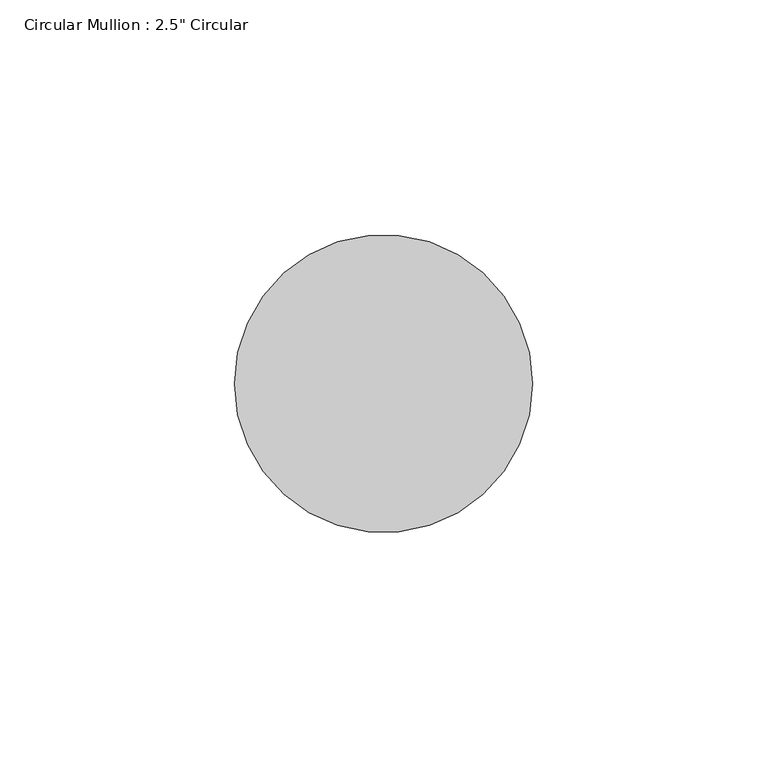
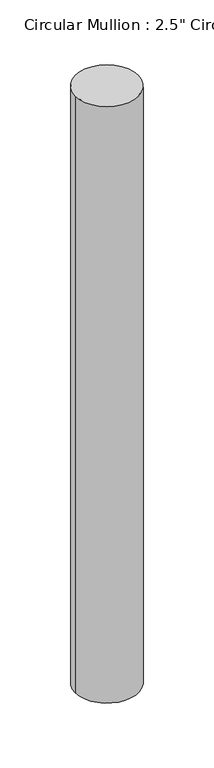
"""IFC4 building model written with IfcOpenShell, lengths in millimetres: member geometry."""

import ifcopenshell
import ifcopenshell.guid

model = None  # the IFC model being written
_history = None  # IfcOwnerHistory: only IFC2X3 demands one
_inside = {}  # id of a spatial element -> (the spatial element, [elements in it])
_under = {}  # id of a project, library or spatial element -> (it, [spatial elements below it])
_declared = {}  # id of a project -> (the project, [libraries it declares])
_typed = {}  # id of a type object -> (the type object, [elements of that type])
_made_of = {}  # id of a material, layer set ... -> (it, [elements and type objects made of it])


def new_model(schema):
    """Start an empty IFC model of exactly this schema.

    Asked for "IFC4X3", IfcOpenShell would pick the latest addendum, in which some entities
    have other attributes; the version numbers below select the first issue.
    IFC2X3 requires an IfcOwnerHistory on every rooted entity: one is made here for all.
    """
    global model, _history
    if schema == "IFC4X3":
        model = ifcopenshell.file(schema_version=(4, 3, 0, 0))
    else:
        model = ifcopenshell.file(schema=schema)
    _inside.clear()
    _under.clear()
    _declared.clear()
    _typed.clear()
    _made_of.clear()
    _history = None
    if model.schema == "IFC2X3":
        org = make("IfcOrganization", Name="unknown")
        user = make(
            "IfcPersonAndOrganization",
            ThePerson=make("IfcPerson", FamilyName="unknown"),
            TheOrganization=org,
        )
        app = make(
            "IfcApplication",
            ApplicationDeveloper=org,
            Version="unknown",
            ApplicationFullName="unknown",
            ApplicationIdentifier="unknown",
        )
        _history = make(
            "IfcOwnerHistory",
            OwningUser=user,
            OwningApplication=app,
            ChangeAction="ADDED",
            CreationDate=0,
        )
    return model


def make(cls, **values):
    """One entity of the class cls with the attributes given. An attribute that is None is left unset."""
    return model.create_entity(
        cls, **{name: value for name, value in values.items() if value is not None}
    )


def rooted(cls, **values):
    """An entity with a GlobalId (a new one), such as an element, a storey or a relation."""
    return make(cls, GlobalId=ifcopenshell.guid.new(), OwnerHistory=_history, **values)


def si_unit(unit_type, name, prefix=None):
    """IfcSIUnit, for example si_unit("LENGTHUNIT", "METRE", prefix="MILLI")."""
    return make("IfcSIUnit", UnitType=unit_type, Prefix=prefix, Name=name)


def assignment(units):
    """IfcUnitAssignment: the units of a project."""
    return None if units is None else make("IfcUnitAssignment", Units=units)


def point(xyz):
    """IfcCartesianPoint."""
    return None if xyz is None else make("IfcCartesianPoint", Coordinates=xyz)


def direction(xyz):
    """IfcDirection."""
    return None if xyz is None else make("IfcDirection", DirectionRatios=xyz)


def frame(location, z_axis=None, x_axis=None):
    """IfcAxis2Placement3D, a coordinate frame: its origin and axes. An axis left out is left unset."""
    return make(
        "IfcAxis2Placement3D",
        Location=point(location),
        Axis=direction(z_axis),
        RefDirection=direction(x_axis),
    )


def frame_2d(location, x_axis=None):
    """IfcAxis2Placement2D, a coordinate frame in the plane: its origin and x axis."""
    return make(
        "IfcAxis2Placement2D", Location=point(location), RefDirection=direction(x_axis)
    )


def origin():
    """The frame at (0, 0, 0) with its axes left unset."""
    return frame((0.0, 0.0, 0.0))


def place(relative_to, where):
    """IfcLocalPlacement: puts the frame where relative to a parent placement (None: the world)."""
    return make(
        "IfcLocalPlacement", PlacementRelTo=relative_to, RelativePlacement=where
    )


def context(
    kind, dimensions, precision=None, world=None, true_north=None, identifier=None
):
    """IfcGeometricRepresentationContext, for example the 3D "Model" context."""
    return make(
        "IfcGeometricRepresentationContext",
        ContextIdentifier=identifier,
        ContextType=kind,
        CoordinateSpaceDimension=dimensions,
        Precision=precision,
        WorldCoordinateSystem=world,
        TrueNorth=true_north,
    )


def project(units=None, contexts=None):
    """IfcProject with its units and contexts."""
    return rooted(
        "IfcProject",
        Name="project",
        RepresentationContexts=contexts,
        UnitsInContext=assignment(units),
    )


def spatial(cls, under=None, at=None, **own):
    """A site, building, storey or space (cls), placed at a placement, below another one or the project."""
    s = rooted(cls, ObjectPlacement=at, **own)
    if under is not None:
        _under.setdefault(under.id(), (under, []))[1].append(s)
    return s


def circle_curve(where, radius):
    """IfcCircle in the frame where."""
    return make("IfcCircle", Position=where, Radius=radius)


def trimmed(basis, trim1, trim2, sense, master):
    """IfcTrimmedCurve: the piece of a basis curve between two trims."""
    return make(
        "IfcTrimmedCurve",
        BasisCurve=basis,
        Trim1=trim1,
        Trim2=trim2,
        SenseAgreement=sense,
        MasterRepresentation=master,
    )


def segment(curve, same_sense, transition):
    """IfcCompositeCurveSegment."""
    return make(
        "IfcCompositeCurveSegment",
        Transition=transition,
        SameSense=same_sense,
        ParentCurve=curve,
    )


def composite_curve(segments, self_intersect=None):
    """IfcCompositeCurve: segments joined end to end."""
    return make("IfcCompositeCurve", Segments=segments, SelfIntersect=self_intersect)


def outline(outer, holes=None, kind="AREA"):
    """IfcArbitraryClosedProfileDef: a profile drawn as a closed curve; with holes, ...WithVoids."""
    if holes is None:
        return make("IfcArbitraryClosedProfileDef", ProfileType=kind, OuterCurve=outer)
    return make(
        "IfcArbitraryProfileDefWithVoids",
        ProfileType=kind,
        OuterCurve=outer,
        InnerCurves=holes,
    )


def extrude(swept, where, along, depth):
    """IfcExtrudedAreaSolid: the profile swept, set in the frame where, extruded along a direction by depth."""
    return make(
        "IfcExtrudedAreaSolid",
        SweptArea=swept,
        Position=where,
        ExtrudedDirection=direction(along),
        Depth=depth,
    )


def shape(context_of_items, identifier, shape_type, items):
    """IfcShapeRepresentation: the items that make up one representation, for example the "Body"."""
    return make(
        "IfcShapeRepresentation",
        ContextOfItems=context_of_items,
        RepresentationIdentifier=identifier,
        RepresentationType=shape_type,
        Items=items,
    )


def source(mapping_origin, context_of_items, identifier, shape_type, items):
    """IfcRepresentationMap: a shape defined once, which mapped items show again and again."""
    return make(
        "IfcRepresentationMap",
        MappingOrigin=mapping_origin,
        MappedRepresentation=shape(context_of_items, identifier, shape_type, items),
    )


def transform(
    local_origin,
    x_axis=None,
    y_axis=None,
    z_axis=None,
    scale=None,
    scale2=None,
    scale3=None,
    uniform=True,
):
    """IfcCartesianTransformationOperator3D, or its non-uniform kind. x_axis, y_axis, z_axis: its Axis1, 2, 3."""
    if uniform:
        return make(
            "IfcCartesianTransformationOperator3D",
            Axis1=direction(x_axis),
            Axis2=direction(y_axis),
            LocalOrigin=point(local_origin),
            Scale=scale,
            Axis3=direction(z_axis),
        )
    return make(
        "IfcCartesianTransformationOperator3DnonUniform",
        Axis1=direction(x_axis),
        Axis2=direction(y_axis),
        LocalOrigin=point(local_origin),
        Scale=scale,
        Axis3=direction(z_axis),
        Scale2=scale2,
        Scale3=scale3,
    )


def mapped(mapping_source, mapping_target):
    """IfcMappedItem: shows the shape of a source again, moved by a transform."""
    return make(
        "IfcMappedItem", MappingSource=mapping_source, MappingTarget=mapping_target
    )


def made_of(thing, what):
    """Note that an element or type object is made of a material, layer set ...; save() writes the relation."""
    if what is not None:
        _made_of.setdefault(what.id(), (what, []))[1].append(thing)
    return thing


def element(
    cls,
    number,
    at=None,
    inside=None,
    cuts=None,
    type_object=None,
    material=None,
    context=None,
    identifier="Body",
    shape_type=None,
    held_by="IfcProductDefinitionShape",
    body=None,
    shapes=None,
    **own,
):
    """One element of the class cls, such as IfcWall. Its Tag is "e" and its number.

    at: its placement. inside: the storey or other place that contains it. cuts: it is an
    opening in that element (IfcRelVoidsElement). A single representation is given by context,
    identifier, shape_type and body (its items); several are given by shapes. held_by: the class
    of the entity that holds the representations. save() writes the other relations.
    """
    e = rooted(cls, Tag="e%d" % number, ObjectPlacement=at, **own)
    if body is not None:
        shapes = [shape(context, identifier, shape_type, body)]
    if shapes is not None:
        e.Representation = make(held_by, Representations=shapes)
    if inside is not None:
        _inside.setdefault(inside.id(), (inside, []))[1].append(e)
    if cuts is not None:
        rooted(
            "IfcRelVoidsElement", RelatingBuildingElement=cuts, RelatedOpeningElement=e
        )
    if type_object is not None:
        _typed.setdefault(type_object.id(), (type_object, []))[1].append(e)
    return made_of(e, material)


def aggregate(whole, parts):
    """IfcRelAggregates: a whole, such as a stair, and the parts it consists of."""
    return rooted("IfcRelAggregates", RelatingObject=whole, RelatedObjects=parts)


def save(model, path):
    """Write the relations noted so far, then the file.

    IfcRelAggregates (storeys below a building ...), IfcRelContainedInSpatialStructure (elements
    in a storey), IfcRelDefinesByType, IfcRelAssociatesMaterial and IfcRelDeclares: one each for
    every whole, place, type object, material and project.
    """
    for whole, parts in _under.values():
        aggregate(whole, parts)
    for where, things in _inside.values():
        rooted(
            "IfcRelContainedInSpatialStructure",
            RelatedElements=things,
            RelatingStructure=where,
        )
    for kind, things in _typed.values():
        rooted("IfcRelDefinesByType", RelatedObjects=things, RelatingType=kind)
    for what, things in _made_of.values():
        rooted("IfcRelAssociatesMaterial", RelatedObjects=things, RelatingMaterial=what)
    for by, libraries in _declared.values():
        rooted("IfcRelDeclares", RelatingContext=by, RelatedDefinitions=libraries)
    model.write(path)


def member_2bed1f06(model_context):
    return source(origin(), model_context, "Body", "SweptSolid", [
        extrude(outline(composite_curve([segment(trimmed(circle_curve(frame_2d((-31.75, 0.0)), 31.75), [point((0.0, 0.0))], [point((-63.5, 0.0))], False, "CARTESIAN"), True, "CONTINUOUS"), segment(trimmed(circle_curve(frame_2d((-31.75, 0.0)), 31.75), [point((-63.5, 0.0))], [point((0.0, 0.0))], False, "CARTESIAN"), True, "CONTINUOUS")], self_intersect=False)), frame((0.0, 0.0, -636.5), z_axis=(0.0, 0.0, 1.0), x_axis=(1.0, 0.0, 0.0)), (0.0, 0.0, 1.0), 636.5),
    ])


if __name__ == "__main__":
    model = new_model("IFC4")
    model_context = context("Model", 3, world=origin())
    ifc_project = project(units=[si_unit("LENGTHUNIT", "METRE", prefix="MILLI")], contexts=[model_context])
    site = spatial("IfcSite", under=ifc_project)
    building = spatial("IfcBuilding", under=site)
    placement = place(None, origin())
    member_shape = member_2bed1f06(model_context)
    element("IfcMember", 1, ObjectType="Circular Mullion : 2.5\" Circular", at=placement, inside=building, context=model_context, shape_type="MappedRepresentation", body=[
        mapped(member_shape, transform((0.0, 0.0, 0.0), x_axis=(1.0, 0.0, 0.0), y_axis=(0.0, 1.0, 0.0), z_axis=(0.0, 0.0, 1.0))),
    ])
    save(model, "model.ifc")
